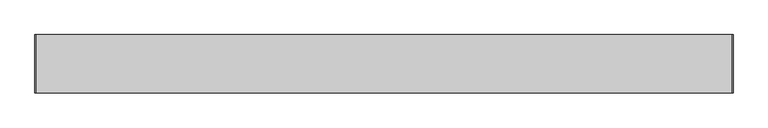
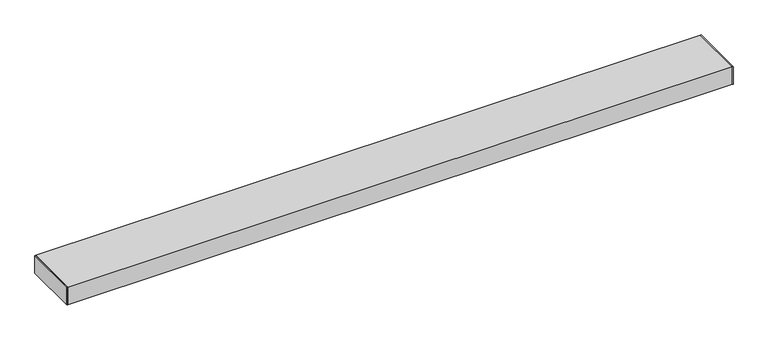
"""IFC4 building model written with IfcOpenShell, lengths in millimetres: proxy geometry."""

from ifc_helpers import new_model, si_unit, frame, origin, origin_with_axes, place, context, project, spatial, polyline, outline, extrude, source, transform, mapped, element, save


def generic_models_be920533(model_context):
    return source(origin(), model_context, "Body", "SweptSolid", [
        extrude(outline(polyline([(0.0, -76.2), (0.0, 76.2), (1.651, 76.2), (1.651, -76.2), (0.0, -76.2)])), origin_with_axes(), (0.0, 0.0, 1.0), 50.8),
        extrude(outline(polyline([(1828.8, -76.2), (1827.149, -76.2), (1827.149, 76.2), (1828.8, 76.2), (1828.8, -76.2)])), origin_with_axes(), (0.0, 0.0, 1.0), 50.8),
        extrude(outline(polyline([(-76.2, 0.0), (-76.2, 50.8), (76.2, 50.8), (76.2, 0.0), (-76.2, 0.0)]), holes=[polyline([(73.8, 3.134), (73.8, 47.666), (-73.8, 47.666), (-73.8, 3.134), (73.8, 3.134)])]), frame((1.651, 0.0, 0.0), z_axis=(1.0, 0.0, 0.0), x_axis=(0.0, 1.0, 0.0)), (0.0, 0.0, 1.0), 1825.498),
    ])


if __name__ == "__main__":
    model = new_model("IFC4")
    model_context = context("Model", 3, world=origin())
    ifc_project = project(units=[si_unit("LENGTHUNIT", "METRE", prefix="MILLI")], contexts=[model_context])
    site = spatial("IfcSite", under=ifc_project)
    building = spatial("IfcBuilding", under=site)
    placement = place(None, origin())
    generic_models_shape = generic_models_be920533(model_context)
    element("IfcBuildingElementProxy", 1, Name="Generic Models", at=placement, inside=building, context=model_context, shape_type="MappedRepresentation", body=[
        mapped(generic_models_shape, transform((0.0, 0.0, 0.0), x_axis=(1.0, 0.0, 0.0), y_axis=(0.0, 1.0, 0.0), z_axis=(0.0, 0.0, 1.0))),
    ])
    save(model, "model.ifc")
